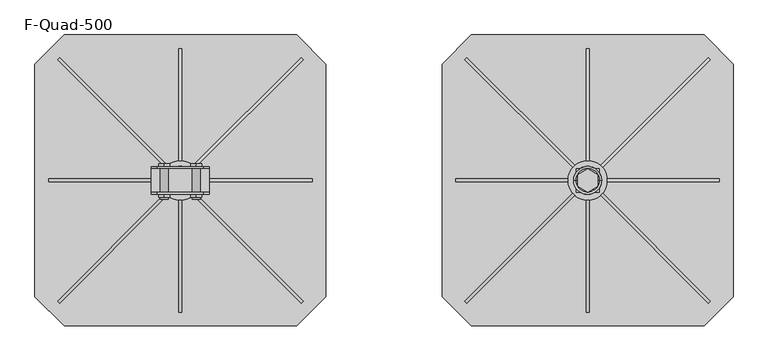
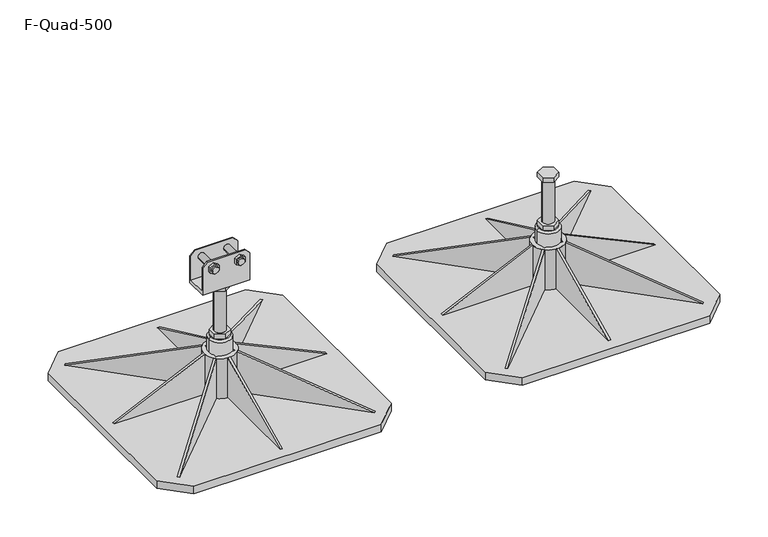
"""IFC4 building model written with IfcOpenShell, lengths in millimetres: beam geometry, F-Quad-500."""

from ifc_helpers import new_model, si_unit, point, frame, frame_2d, origin, origin_with_axes, origin_2d, place, context, project, spatial, polyline, circle_curve, trimmed, segment, composite_curve, outline, extrude, source, transform, mapped, element, save
from ifc_brep_helpers import plane_surface, cylinder_surface, revolved_surface, advanced_brep


def f_quad_500_24138291(model_context):
    return source(origin(), model_context, "Body", "SolidModel", [
        advanced_brep(
        [(688.0, 0.0, 248.0), (688.0, 0.0, 150.0), (712.0, 0.0, 150.0), (712.0, 0.0, 248.0), (682.6794919, 10.0, 258.0), (682.6794919, -10.0, 258.0), (700.0, -20.0, 258.0), (717.3205081, -10.0, 258.0), (717.3205081, 10.0, 258.0), (700.0, 20.0, 258.0), (682.6794919, 10.0, 248.0), (700.0, 20.0, 248.0), (717.3205081, 10.0, 248.0), (717.3205081, -10.0, 248.0), (700.0, -20.0, 248.0), (682.6794919, -10.0, 248.0), (682.6794919, 10.0, 150.0), (682.6794919, -10.0, 150.0), (700.0, -20.0, 150.0), (717.3205081, -10.0, 150.0), (717.3205081, 10.0, 150.0), (700.0, 20.0, 150.0), (682.6794919, 10.0, 140.0), (682.6794919, 0.0, 140.0), (682.6794919, -10.0, 140.0), (700.0, -20.0, 140.0), (717.3205081, -10.0, 140.0), (717.3205081, 0.0, 140.0), (717.3205081, 10.0, 140.0), (700.0, 20.0, 140.0), (680.0, 0.0, 140.0), (720.0, 0.0, 140.0), (724.0, 0.0, 136.0), (676.0, 0.0, 136.0), (724.0, 0.0, 10.0), (676.0, 0.0, 10.0), (700.0, 0.0, 10.0)],
        [
            (0, 1),
            (1, 2, circle_curve(frame((700.0, 0.0, 150.0), z_axis=(0.0, 0.0, 1.0), x_axis=(1.0, 0.0, 0.0)), 12.0)),
            (2, 3),
            (3, 0, circle_curve(frame((700.0, 0.0, 248.0), z_axis=(0.0, 0.0, -1.0), x_axis=(1.0, 0.0, 0.0)), 12.0)),
            (0, 3, circle_curve(frame((700.0, 0.0, 248.0), z_axis=(0.0, 0.0, -1.0), x_axis=(1.0, 0.0, 0.0)), 12.0)),
            (2, 1, circle_curve(frame((700.0, 0.0, 150.0), z_axis=(0.0, 0.0, 1.0), x_axis=(1.0, 0.0, 0.0)), 12.0)),
            (4, 5),
            (5, 6),
            (6, 7),
            (7, 8),
            (8, 9),
            (9, 4),
            (10, 11),
            (11, 12),
            (12, 13),
            (13, 14),
            (14, 15),
            (15, 10),
            (4, 10),
            (15, 5),
            (14, 6),
            (13, 7),
            (12, 8),
            (11, 9),
            (16, 17),
            (17, 18),
            (18, 19),
            (19, 20),
            (20, 21),
            (21, 16),
            (16, 22),
            (22, 23),
            (23, 24),
            (24, 17),
            (24, 25),
            (25, 18),
            (25, 26),
            (26, 19),
            (26, 27),
            (27, 28),
            (28, 20),
            (28, 29),
            (29, 21),
            (29, 22),
            (22, 30, circle_curve(frame((700.0, 0.0, 140.0), z_axis=(0.0, 0.0, 1.0), x_axis=(-1.0, 0.0, 0.0)), 20.0)),
            (30, 23),
            (29, 22, circle_curve(frame((700.0, 0.0, 140.0), z_axis=(0.0, 0.0, 1.0), x_axis=(-1.0, 0.0, 0.0)), 20.0)),
            (28, 29, circle_curve(frame((700.0, 0.0, 140.0), z_axis=(0.0, 0.0, 1.0), x_axis=(-1.0, 0.0, 0.0)), 20.0)),
            (31, 28, circle_curve(frame((700.0, 0.0, 140.0), z_axis=(0.0, 0.0, 1.0), x_axis=(-1.0, 0.0, 0.0)), 20.0)),
            (27, 31),
            (26, 31, circle_curve(frame((700.0, 0.0, 140.0), z_axis=(0.0, 0.0, 1.0), x_axis=(-1.0, 0.0, 0.0)), 20.0)),
            (25, 26, circle_curve(frame((700.0, 0.0, 140.0), z_axis=(0.0, 0.0, 1.0), x_axis=(-1.0, 0.0, 0.0)), 20.0)),
            (24, 25, circle_curve(frame((700.0, 0.0, 140.0), z_axis=(0.0, 0.0, 1.0), x_axis=(-1.0, 0.0, 0.0)), 20.0)),
            (30, 24, circle_curve(frame((700.0, 0.0, 140.0), z_axis=(0.0, 0.0, 1.0), x_axis=(-1.0, 0.0, 0.0)), 20.0)),
            (32, 33, circle_curve(frame((700.0, 0.0, 136.0), z_axis=(0.0, 0.0, 1.0), x_axis=(-1.0, 0.0, 0.0)), 24.0)),
            (33, 30),
            (31, 32),
            (33, 32, circle_curve(frame((700.0, 0.0, 136.0), z_axis=(0.0, 0.0, 1.0), x_axis=(-1.0, 0.0, 0.0)), 24.0)),
            (32, 34),
            (34, 35, circle_curve(frame((700.0, 0.0, 10.0), z_axis=(0.0, 0.0, 1.0), x_axis=(-1.0, 0.0, 0.0)), 24.0)),
            (35, 33),
            (35, 34, circle_curve(frame((700.0, 0.0, 10.0), z_axis=(0.0, 0.0, 1.0), x_axis=(-1.0, 0.0, 0.0)), 24.0)),
            (34, 36),
            (36, 35),
        ],
        [
            cylinder_surface(frame((700.0, 0.0, 150.0), z_axis=(0.0, 0.0, 1.0), x_axis=(1.0, 0.0, 0.0)), 12.0),
            plane_surface(frame((682.6794919, 10.0, 258.0), z_axis=(0.0, 0.0, 1.0), x_axis=(0.0, -1.0, 0.0))),
            plane_surface(frame((682.6794919, 10.0, 248.0), z_axis=(0.0, 0.0, -1.0), x_axis=(0.0, 1.0, 0.0))),
            plane_surface(frame((682.6794919, 10.0, 258.0), z_axis=(-1.0, 0.0, 0.0), x_axis=(0.0, 0.0, -1.0))),
            plane_surface(frame((682.6794919, -10.0, 258.0), z_axis=(-0.5000000000000034, -0.8660254037844367, 0.0), x_axis=(0.0, 0.0, -1.0))),
            plane_surface(frame((700.0, -20.0, 258.0), z_axis=(0.4999999999999958, -0.8660254037844412, 0.0), x_axis=(0.0, 0.0, -1.0))),
            plane_surface(frame((717.3205081, -10.0, 258.0), z_axis=(1.0, 0.0, 0.0), x_axis=(0.0, 0.0, -1.0))),
            plane_surface(frame((717.3205081, 10.0, 258.0), z_axis=(0.5000000000000064, 0.866025403784435, 0.0), x_axis=(0.0, 0.0, -1.0))),
            plane_surface(frame((700.0, 20.0, 258.0), z_axis=(-0.4999999999999984, 0.8660254037844396, 0.0), x_axis=(0.0, 0.0, -1.0))),
            plane_surface(frame((682.6794919, 10.0, 150.0), z_axis=(0.0, 0.0, 1.0), x_axis=(0.0, -1.0, 0.0))),
            plane_surface(frame((682.6794919, 10.0, 150.0), z_axis=(-1.0, 0.0, 0.0), x_axis=(0.0, 0.0, -1.0))),
            plane_surface(frame((682.6794919, -10.0, 150.0), z_axis=(-0.5000000000000034, -0.8660254037844367, 0.0), x_axis=(0.0, 0.0, -1.0))),
            plane_surface(frame((700.0, -20.0, 150.0), z_axis=(0.49999999999999545, -0.8660254037844413, 0.0), x_axis=(0.0, 0.0, -1.0))),
            plane_surface(frame((717.3205081, -10.0, 150.0), z_axis=(1.0, 0.0, 0.0), x_axis=(0.0, 0.0, -1.0))),
            plane_surface(frame((717.3205081, 10.0, 150.0), z_axis=(0.5000000000000064, 0.866025403784435, 0.0), x_axis=(0.0, 0.0, -1.0))),
            plane_surface(frame((700.0, 20.0, 150.0), z_axis=(-0.49999999999999845, 0.8660254037844396, 0.0), x_axis=(0.0, 0.0, -1.0))),
            plane_surface(frame((700.0, 0.0, 140.0), z_axis=(0.0, 0.0, 1.0), x_axis=(-1.0, 0.0, 0.0))),
            revolved_surface(polyline([(680.0, 0.0, 140.0), (676.0, 0.0, 136.0)]), (700.0, 0.0, 165.0), (0.0, 0.0, -1.0)),
            cylinder_surface(frame((700.0, 0.0, 165.0), z_axis=(0.0, 0.0, -1.0), x_axis=(-1.0, 0.0, 0.0)), 24.0),
            plane_surface(frame((700.0, 0.0, 10.0), z_axis=(0.0, 0.0, -1.0), x_axis=(-1.0, 0.0, 0.0))),
        ],
        [
            (0, [[1, 2, 3, 4]]),
            (0, [[-1, 5, -3, 6]]),
            (1, [[7, 8, 9, 10, 11, 12]]),
            (2, [[13, 14, 15, 16, 17, 18], [-4, -5]]),
            (3, [[-7, 19, -18, 20]]),
            (4, [[-8, -20, -17, 21]]),
            (5, [[-9, -21, -16, 22]]),
            (6, [[-10, -22, -15, 23]]),
            (7, [[-11, -23, -14, 24]]),
            (8, [[-12, -24, -13, -19]]),
            (9, [[25, 26, 27, 28, 29, 30], [-2, -6]]),
            (10, [[-25, 31, 32, 33, 34]]),
            (11, [[-26, -34, 35, 36]]),
            (12, [[-27, -36, 37, 38]]),
            (13, [[-28, -38, 39, 40, 41]]),
            (14, [[-29, -41, 42, 43]]),
            (15, [[-30, -43, 44, -31]]),
            (16, [[45, 46, -32]]),
            (16, [[47, -44]]),
            (16, [[48, -42]]),
            (16, [[49, -40, 50]]),
            (16, [[51, -50, -39]]),
            (16, [[52, -37]]),
            (16, [[53, -35]]),
            (16, [[54, -33, -46]]),
            (17, [[55, 56, -45, -47, -48, -49, 57]]),
            (17, [[-56, 58, -57, -51, -52, -53, -54]]),
            (18, [[-55, 59, 60, 61]]),
            (18, [[-58, -61, 62, -59]]),
            (19, [[-60, 63, 64]]),
            (19, [[-62, -64, -63]]),
        ],
    ),
        advanced_brep(
        [(-50.0, -20.75, 265.0), (50.0, -20.75, 265.0), (50.0, 20.75, 265.0), (-50.0, 20.75, 265.0), (50.0, 23.75, 258.0), (50.0, -23.75, 258.0), (-50.0, -23.75, 258.0), (-50.0, 23.75, 258.0), (27.5, 28.653247, 323.062665), (37.0805489, 28.653247, 317.5313325), (37.0805489, 28.653247, 306.4686675), (27.5, 28.653247, 300.937335), (17.9194511, 28.653247, 306.4686675), (17.9194511, 28.653247, 317.5313325), (-27.5, 28.653247, 323.062665), (-17.9194511, 28.653247, 317.5313325), (-17.9194511, 28.653247, 306.4686675), (-27.5, 28.653247, 300.937335), (-37.0805489, 28.653247, 306.4686675), (-37.0805489, 28.653247, 317.5313325), (27.5, 23.653247, 323.062665), (37.0805489, 23.75, 317.5313325), (37.0805489, 23.75, 306.4686675), (27.5, 23.75, 300.937335), (17.9194511, 23.75, 306.4686675), (17.9194511, 23.75, 317.5313325), (-27.5, 23.653247, 323.062665), (-17.9194511, 23.75, 317.5313325), (-17.9194511, 23.75, 306.4686675), (-27.5, 23.75, 300.937335), (-37.0805489, 23.75, 306.4686675), (-37.0805489, 23.75, 317.5313325), (17.9194511, -28.75, 317.5313325), (17.9194511, -28.75, 306.4686675), (27.5, -28.75, 300.937335), (37.0805489, -28.75, 306.4686675), (37.0805489, -28.75, 317.5313325), (27.5, -28.75, 323.062665), (20.5, -28.75, 312.0), (34.5, -28.75, 312.0), (17.9194511, -23.75, 317.5313325), (17.9194511, -23.75, 306.4686675), (27.5, -23.75, 300.937335), (37.0805489, -23.75, 306.4686675), (37.0805489, -23.75, 317.5313325), (27.5, -23.75, 323.062665), (-37.0805489, -28.75, 317.5313325), (-37.0805489, -28.75, 306.4686675), (-27.5, -28.75, 300.937335), (-17.9194511, -28.75, 306.4686675), (-17.9194511, -28.75, 317.5313325), (-27.5, -28.75, 323.062665), (-34.5, -28.75, 312.0), (-20.5, -28.75, 312.0), (-37.0805489, -23.75, 317.5313325), (-37.0805489, -23.75, 306.4686675), (-27.5, -23.75, 300.937335), (-17.9194511, -23.75, 306.4686675), (-17.9194511, -23.75, 317.5313325), (-27.5, -23.75, 323.062665), (-50.0, -20.75, 319.0), (-40.0, -20.75, 329.0), (40.0, -20.75, 329.0), (50.0, -20.75, 319.0), (34.5, -20.75, 312.0), (20.5, -20.75, 312.0), (-20.5, -20.75, 312.0), (-34.5, -20.75, 312.0), (40.0, -23.75, 329.0), (50.0, -23.75, 319.0), (-40.0, -23.75, 329.0), (-50.0, -23.75, 319.0), (50.0, 20.75, 319.0), (40.0, 20.75, 329.0), (-40.0, 20.75, 329.0), (-50.0, 20.75, 319.0), (20.5, 20.75, 312.0), (34.5, 20.75, 312.0), (-34.5, 20.75, 312.0), (-20.5, 20.75, 312.0), (50.0, 23.75, 319.0), (40.0, 23.75, 329.0), (-40.0, 23.75, 329.0), (-50.0, 23.75, 319.0), (20.5, -32.6948906, 312.0), (34.5, -32.6948906, 312.0), (-34.5, -32.6948906, 312.0), (-20.5, -32.6948906, 312.0)],
        [
            (0, 1),
            (1, 2),
            (2, 3),
            (3, 0),
            (4, 5),
            (5, 6),
            (6, 7),
            (7, 4),
            (8, 9),
            (9, 10),
            (10, 11),
            (11, 12),
            (12, 13),
            (13, 8),
            (14, 15),
            (15, 16),
            (16, 17),
            (17, 18),
            (18, 19),
            (19, 14),
            (8, 20),
            (20, 21),
            (21, 9),
            (21, 22),
            (22, 10),
            (22, 23),
            (23, 11),
            (23, 24),
            (24, 12),
            (24, 25),
            (25, 13),
            (25, 20),
            (14, 26),
            (26, 27),
            (27, 15),
            (27, 28),
            (28, 16),
            (28, 29),
            (29, 17),
            (29, 30),
            (30, 18),
            (30, 31),
            (31, 19),
            (31, 26),
            (32, 33),
            (33, 34),
            (34, 35),
            (35, 36),
            (36, 37),
            (37, 32),
            (38, 39, circle_curve(frame((27.5, -28.75, 312.0), z_axis=(0.0, 1.0, 0.0), x_axis=(-1.0, 0.0, 0.0)), 7.0)),
            (39, 38, circle_curve(frame((27.5, -28.75, 312.0), z_axis=(0.0, 1.0, 0.0), x_axis=(-1.0, 0.0, 0.0)), 7.0)),
            (32, 40),
            (40, 41),
            (41, 33),
            (41, 42),
            (42, 34),
            (42, 43),
            (43, 35),
            (43, 44),
            (44, 36),
            (44, 45),
            (45, 37),
            (45, 40),
            (46, 47),
            (47, 48),
            (48, 49),
            (49, 50),
            (50, 51),
            (51, 46),
            (52, 53, circle_curve(frame((-27.5, -28.75, 312.0), z_axis=(0.0, 1.0, 0.0), x_axis=(-1.0, 0.0, 0.0)), 7.0)),
            (53, 52, circle_curve(frame((-27.5, -28.75, 312.0), z_axis=(0.0, 1.0, 0.0), x_axis=(-1.0, 0.0, 0.0)), 7.0)),
            (46, 54),
            (54, 55),
            (55, 47),
            (55, 56),
            (56, 48),
            (56, 57),
            (57, 49),
            (57, 58),
            (58, 50),
            (58, 59),
            (59, 51),
            (59, 54),
            (60, 61),
            (61, 62),
            (62, 63),
            (63, 1),
            (0, 60),
            (64, 65, circle_curve(frame((27.5, -20.75, 312.0), z_axis=(0.0, -1.0, 0.0), x_axis=(-1.0, 0.0, 0.0)), 7.0)),
            (65, 64, circle_curve(frame((27.5, -20.75, 312.0), z_axis=(0.0, -1.0, 0.0), x_axis=(-1.0, 0.0, 0.0)), 7.0)),
            (66, 67, circle_curve(frame((-27.5, -20.75, 312.0), z_axis=(0.0, -1.0, 0.0), x_axis=(-1.0, 0.0, 0.0)), 7.0)),
            (67, 66, circle_curve(frame((-27.5, -20.75, 312.0), z_axis=(0.0, -1.0, 0.0), x_axis=(-1.0, 0.0, 0.0)), 7.0)),
            (62, 68),
            (68, 69),
            (69, 63),
            (61, 70),
            (70, 68),
            (60, 71),
            (71, 70),
            (72, 73),
            (73, 74),
            (74, 75),
            (75, 3),
            (2, 72),
            (76, 77, circle_curve(frame((27.5, 20.75, 312.0), z_axis=(0.0, 1.0, 0.0), x_axis=(-1.0, 0.0, 0.0)), 7.0)),
            (77, 76, circle_curve(frame((27.5, 20.75, 312.0), z_axis=(0.0, 1.0, 0.0), x_axis=(-1.0, 0.0, 0.0)), 7.0)),
            (78, 79, circle_curve(frame((-27.5, 20.75, 312.0), z_axis=(0.0, 1.0, 0.0), x_axis=(-1.0, 0.0, 0.0)), 7.0)),
            (79, 78, circle_curve(frame((-27.5, 20.75, 312.0), z_axis=(0.0, 1.0, 0.0), x_axis=(-1.0, 0.0, 0.0)), 7.0)),
            (80, 81),
            (81, 73),
            (72, 80),
            (81, 82),
            (82, 74),
            (82, 83),
            (83, 75),
            (7, 83),
            (80, 4),
            (6, 71),
            (5, 69),
            (84, 85, circle_curve(frame((27.5, -32.6948906, 312.0), z_axis=(0.0, -1.0, 0.0), x_axis=(-1.0, 0.0, 0.0)), 7.0)),
            (85, 84, circle_curve(frame((27.5, -32.6948906, 312.0), z_axis=(0.0, -1.0, 0.0), x_axis=(-1.0, 0.0, 0.0)), 7.0)),
            (86, 87, circle_curve(frame((-27.5, -32.6948906, 312.0), z_axis=(0.0, -1.0, 0.0), x_axis=(-1.0, 0.0, 0.0)), 7.0)),
            (87, 86, circle_curve(frame((-27.5, -32.6948906, 312.0), z_axis=(0.0, -1.0, 0.0), x_axis=(-1.0, 0.0, 0.0)), 7.0)),
            (85, 39),
            (38, 84),
            (64, 77),
            (76, 65),
            (87, 53),
            (52, 86),
            (66, 79),
            (78, 67),
        ],
        [
            plane_surface(frame((0.0, 23.75, 265.0), z_axis=(0.0, 0.0, 1.0), x_axis=(-1.0, 0.0, 0.0))),
            plane_surface(frame((0.0, 23.75, 258.0), z_axis=(0.0, 0.0, -1.0), x_axis=(1.0, 0.0, 0.0))),
            plane_surface(frame((27.5, 28.653247, 323.062665), z_axis=(0.0, 1.0, 0.0), x_axis=(0.866025403784437, 0.0, -0.5000000000000028))),
            plane_surface(frame((27.5, 28.653247, 323.062665), z_axis=(0.5000000000000028, 0.0, 0.866025403784437), x_axis=(0.0, -1.0, 0.0))),
            plane_surface(frame((37.0805489, 28.653247, 317.5313325), z_axis=(1.0, 0.0, 0.0), x_axis=(0.0, -1.0, 0.0))),
            plane_surface(frame((37.0805489, 28.653247, 306.4686675), z_axis=(0.4999999999999971, 0.0, -0.8660254037844404), x_axis=(0.0, -1.0, 0.0))),
            plane_surface(frame((27.5, 28.653247, 300.937335), z_axis=(-0.5000000000000031, 0.0, -0.8660254037844369), x_axis=(0.0, -1.0, 0.0))),
            plane_surface(frame((17.9194511, 28.653247, 306.4686675), z_axis=(-1.0, 0.0, 0.0), x_axis=(0.0, -1.0, 0.0))),
            plane_surface(frame((17.9194511, 28.653247, 317.5313325), z_axis=(-0.4999999999999962, 0.0, 0.8660254037844408), x_axis=(0.0, -1.0, 0.0))),
            plane_surface(frame((-27.5, 28.653247, 323.062665), z_axis=(0.5000000000000028, 0.0, 0.866025403784437), x_axis=(0.0, -1.0, 0.0))),
            plane_surface(frame((-17.9194511, 28.653247, 317.5313325), z_axis=(1.0, 0.0, 0.0), x_axis=(0.0, -1.0, 0.0))),
            plane_surface(frame((-17.9194511, 28.653247, 306.4686675), z_axis=(0.4999999999999972, 0.0, -0.8660254037844403), x_axis=(0.0, -1.0, 0.0))),
            plane_surface(frame((-27.5, 28.653247, 300.937335), z_axis=(-0.5000000000000029, 0.0, -0.866025403784437), x_axis=(0.0, -1.0, 0.0))),
            plane_surface(frame((-37.0805489, 28.653247, 306.4686675), z_axis=(-1.0, 0.0, 0.0), x_axis=(0.0, -1.0, 0.0))),
            plane_surface(frame((-37.0805489, 28.653247, 317.5313325), z_axis=(-0.49999999999999617, 0.0, 0.8660254037844409), x_axis=(0.0, -1.0, 0.0))),
            plane_surface(frame((17.9194511, -28.75, 317.5313325), z_axis=(0.0, -1.0, 0.0), x_axis=(0.0, 0.0, -1.0))),
            plane_surface(frame((17.9194511, -28.75, 317.5313325), z_axis=(-1.0, 0.0, 0.0), x_axis=(0.0, 1.0, 0.0))),
            plane_surface(frame((17.9194511, -28.75, 306.4686675), z_axis=(-0.500000000000003, 0.0, -0.866025403784437), x_axis=(0.0, 1.0, 0.0))),
            plane_surface(frame((27.5, -28.75, 300.937335), z_axis=(0.4999999999999972, 0.0, -0.8660254037844403), x_axis=(0.0, 1.0, 0.0))),
            plane_surface(frame((37.0805489, -28.75, 306.4686675), z_axis=(1.0, 0.0, 0.0), x_axis=(0.0, 1.0, 0.0))),
            plane_surface(frame((37.0805489, -28.75, 317.5313325), z_axis=(0.5000000000000038, 0.0, 0.8660254037844366), x_axis=(0.0, 1.0, 0.0))),
            plane_surface(frame((27.5, -28.75, 323.062665), z_axis=(-0.4999999999999978, 0.0, 0.8660254037844399), x_axis=(0.0, 1.0, 0.0))),
            plane_surface(frame((-37.0805489, -28.75, 317.5313325), z_axis=(0.0, -1.0, 0.0), x_axis=(0.0, 0.0, -1.0))),
            plane_surface(frame((-37.0805489, -28.75, 317.5313325), z_axis=(-1.0, 0.0, 0.0), x_axis=(0.0, 1.0, 0.0))),
            plane_surface(frame((-37.0805489, -28.75, 306.4686675), z_axis=(-0.5000000000000031, 0.0, -0.8660254037844368), x_axis=(0.0, 1.0, 0.0))),
            plane_surface(frame((-27.5, -28.75, 300.937335), z_axis=(0.49999999999999717, 0.0, -0.8660254037844404), x_axis=(0.0, 1.0, 0.0))),
            plane_surface(frame((-17.9194511, -28.75, 306.4686675), z_axis=(1.0, 0.0, 0.0), x_axis=(0.0, 1.0, 0.0))),
            plane_surface(frame((-17.9194511, -28.75, 317.5313325), z_axis=(0.5000000000000036, 0.0, 0.8660254037844367), x_axis=(0.0, 1.0, 0.0))),
            plane_surface(frame((-27.5, -28.75, 323.062665), z_axis=(-0.4999999999999981, 0.0, 0.8660254037844398), x_axis=(0.0, 1.0, 0.0))),
            plane_surface(frame((-50.0, -20.75, 319.0), z_axis=(0.0, 1.0, 0.0), x_axis=(0.0, 0.0, 1.0))),
            plane_surface(frame((50.0, -23.75, 319.0), z_axis=(0.7071067811865493, 0.0, 0.7071067811865457), x_axis=(0.0, 1.0, 0.0))),
            plane_surface(frame((40.0, -23.75, 329.0), z_axis=(0.0, 0.0, 1.0), x_axis=(0.0, 1.0, 0.0))),
            plane_surface(frame((-40.0, -23.75, 329.0), z_axis=(-0.707106781186547, 0.0, 0.7071067811865481), x_axis=(0.0, 1.0, 0.0))),
            plane_surface(frame((40.0, 20.75, 329.0), z_axis=(0.0, -1.0, 0.0), x_axis=(-0.7071067811865458, 0.0, 0.7071067811865493))),
            plane_surface(frame((50.0, 20.75, 319.0), z_axis=(0.7071067811865493, 0.0, 0.7071067811865458), x_axis=(0.0, 1.0, 0.0))),
            plane_surface(frame((40.0, 20.75, 329.0), z_axis=(0.0, 0.0, 1.0), x_axis=(0.0, 1.0, 0.0))),
            plane_surface(frame((-40.0, 20.75, 329.0), z_axis=(-0.7071067811865467, 0.0, 0.7071067811865485), x_axis=(0.0, 1.0, 0.0))),
            plane_surface(frame((50.0, 23.75, 265.0), z_axis=(0.0, 1.0, 0.0), x_axis=(0.0, 0.0, -1.0))),
            plane_surface(frame((-50.0, 23.75, 265.0), z_axis=(-1.0, 0.0, 0.0), x_axis=(0.0, 0.0, -1.0))),
            plane_surface(frame((-50.0, -23.75, 265.0), z_axis=(0.0, -1.0, 0.0), x_axis=(0.0, 0.0, -1.0))),
            plane_surface(frame((50.0, -23.75, 265.0), z_axis=(1.0, 0.0, 0.0), x_axis=(0.0, 0.0, -1.0))),
            plane_surface(frame((20.5, -32.6948906, 312.0), z_axis=(0.0, -1.0, 0.0), x_axis=(0.0, 0.0, -1.0))),
            cylinder_surface(frame((27.5, -32.6948906, 312.0), z_axis=(0.0, 1.0, 0.0), x_axis=(-1.0, 0.0, 0.0)), 7.0),
            cylinder_surface(frame((-27.5, 23.653247, 312.0), z_axis=(0.0, 1.0, 0.0), x_axis=(-1.0, 0.0, 0.0)), 7.0),
        ],
        [
            (0, [[1, 2, 3, 4]]),
            (1, [[5, 6, 7, 8]]),
            (2, [[9, 10, 11, 12, 13, 14]]),
            (2, [[15, 16, 17, 18, 19, 20]]),
            (3, [[-9, 21, 22, 23]]),
            (4, [[-10, -23, 24, 25]]),
            (5, [[-11, -25, 26, 27]]),
            (6, [[-12, -27, 28, 29]]),
            (7, [[-13, -29, 30, 31]]),
            (8, [[-14, -31, 32, -21]]),
            (9, [[-15, 33, 34, 35]]),
            (10, [[-16, -35, 36, 37]]),
            (11, [[-17, -37, 38, 39]]),
            (12, [[-18, -39, 40, 41]]),
            (13, [[-19, -41, 42, 43]]),
            (14, [[-20, -43, 44, -33]]),
            (15, [[45, 46, 47, 48, 49, 50], [51, 52]]),
            (16, [[-45, 53, 54, 55]]),
            (17, [[-46, -55, 56, 57]]),
            (18, [[-47, -57, 58, 59]]),
            (19, [[-48, -59, 60, 61]]),
            (20, [[-49, -61, 62, 63]]),
            (21, [[-50, -63, 64, -53]]),
            (22, [[65, 66, 67, 68, 69, 70], [71, 72]]),
            (23, [[-65, 73, 74, 75]]),
            (24, [[-66, -75, 76, 77]]),
            (25, [[-67, -77, 78, 79]]),
            (26, [[-68, -79, 80, 81]]),
            (27, [[-69, -81, 82, 83]]),
            (28, [[-70, -83, 84, -73]]),
            (29, [[85, 86, 87, 88, -1, 89], [90, 91], [92, 93]]),
            (30, [[-87, 94, 95, 96]]),
            (31, [[-86, 97, 98, -94]]),
            (32, [[-85, 99, 100, -97]]),
            (33, [[101, 102, 103, 104, -3, 105], [106, 107], [108, 109]]),
            (34, [[110, 111, -101, 112]]),
            (35, [[113, 114, -102, -111]]),
            (36, [[115, 116, -103, -114]]),
            (37, [[-8, 117, -115, -113, -110, 118], [-22, -32, -30, -28, -26, -24], [-34, -44, -42, -40, -38, -36]]),
            (38, [[-117, -7, 119, -99, -89, -4, -104, -116]]),
            (39, [[-6, 120, -95, -98, -100, -119], [-54, -64, -62, -60, -58, -56], [-74, -84, -82, -80, -78, -76]]),
            (40, [[-5, -118, -112, -105, -2, -88, -96, -120]]),
            (41, [[121, 122]]),
            (41, [[123, 124]]),
            (42, [[-122, 125, -51, 126]]),
            (42, [[-90, 127, -106, 128]]),
            (42, [[-121, -126, -52, -125]]),
            (42, [[-91, -128, -107, -127]]),
            (43, [[-124, 129, -71, 130]]),
            (43, [[-92, 131, -108, 132]]),
            (43, [[-123, -130, -72, -129]]),
            (43, [[-93, -132, -109, -131]]),
        ],
    ),
        advanced_brep(
        [(-12.0, 0.0, 248.0), (-12.0, 0.0, 150.0), (12.0, 0.0, 150.0), (12.0, 0.0, 248.0), (-17.3205081, 10.0, 258.0), (-17.3205081, -10.0, 258.0), (0.0, -20.0, 258.0), (17.3205081, -10.0, 258.0), (17.3205081, 10.0, 258.0), (0.0, 20.0, 258.0), (-17.3205081, 10.0, 248.0), (0.0, 20.0, 248.0), (17.3205081, 10.0, 248.0), (17.3205081, -10.0, 248.0), (0.0, -20.0, 248.0), (-17.3205081, -10.0, 248.0), (-17.3205081, 10.0, 150.0), (-17.3205081, -10.0, 150.0), (0.0, -20.0, 150.0), (17.3205081, -10.0, 150.0), (17.3205081, 10.0, 150.0), (0.0, 20.0, 150.0), (-17.3205081, 10.0, 140.0), (-17.3205081, 0.0, 140.0), (-17.3205081, -10.0, 140.0), (0.0, -20.0, 140.0), (17.3205081, -10.0, 140.0), (17.3205081, 0.0, 140.0), (17.3205081, 10.0, 140.0), (0.0, 20.0, 140.0), (-20.0, 0.0, 140.0), (20.0, 0.0, 140.0), (24.0, 0.0, 136.0), (-24.0, 0.0, 136.0), (24.0, 0.0, 10.0), (-24.0, 0.0, 10.0), (0.0, 0.0, 10.0)],
        [
            (0, 1),
            (1, 2, circle_curve(frame((0.0, 0.0, 150.0), z_axis=(0.0, 0.0, 1.0), x_axis=(1.0, 0.0, 0.0)), 12.0)),
            (2, 3),
            (3, 0, circle_curve(frame((0.0, 0.0, 248.0), z_axis=(0.0, 0.0, -1.0), x_axis=(1.0, 0.0, 0.0)), 12.0)),
            (0, 3, circle_curve(frame((0.0, 0.0, 248.0), z_axis=(0.0, 0.0, -1.0), x_axis=(1.0, 0.0, 0.0)), 12.0)),
            (2, 1, circle_curve(frame((0.0, 0.0, 150.0), z_axis=(0.0, 0.0, 1.0), x_axis=(1.0, 0.0, 0.0)), 12.0)),
            (4, 5),
            (5, 6),
            (6, 7),
            (7, 8),
            (8, 9),
            (9, 4),
            (10, 11),
            (11, 12),
            (12, 13),
            (13, 14),
            (14, 15),
            (15, 10),
            (4, 10),
            (15, 5),
            (14, 6),
            (13, 7),
            (12, 8),
            (11, 9),
            (16, 17),
            (17, 18),
            (18, 19),
            (19, 20),
            (20, 21),
            (21, 16),
            (16, 22),
            (22, 23),
            (23, 24),
            (24, 17),
            (24, 25),
            (25, 18),
            (25, 26),
            (26, 19),
            (26, 27),
            (27, 28),
            (28, 20),
            (28, 29),
            (29, 21),
            (29, 22),
            (22, 30, circle_curve(frame((0.0, 0.0, 140.0), z_axis=(0.0, 0.0, 1.0), x_axis=(-1.0, 0.0, 0.0)), 20.0)),
            (30, 23),
            (29, 22, circle_curve(frame((0.0, 0.0, 140.0), z_axis=(0.0, 0.0, 1.0), x_axis=(-1.0, 0.0, 0.0)), 20.0)),
            (28, 29, circle_curve(frame((0.0, 0.0, 140.0), z_axis=(0.0, 0.0, 1.0), x_axis=(-1.0, 0.0, 0.0)), 20.0)),
            (31, 28, circle_curve(frame((0.0, 0.0, 140.0), z_axis=(0.0, 0.0, 1.0), x_axis=(-1.0, 0.0, 0.0)), 20.0)),
            (27, 31),
            (26, 31, circle_curve(frame((0.0, 0.0, 140.0), z_axis=(0.0, 0.0, 1.0), x_axis=(-1.0, 0.0, 0.0)), 20.0)),
            (25, 26, circle_curve(frame((0.0, 0.0, 140.0), z_axis=(0.0, 0.0, 1.0), x_axis=(-1.0, 0.0, 0.0)), 20.0)),
            (24, 25, circle_curve(frame((0.0, 0.0, 140.0), z_axis=(0.0, 0.0, 1.0), x_axis=(-1.0, 0.0, 0.0)), 20.0)),
            (30, 24, circle_curve(frame((0.0, 0.0, 140.0), z_axis=(0.0, 0.0, 1.0), x_axis=(-1.0, 0.0, 0.0)), 20.0)),
            (32, 33, circle_curve(frame((0.0, 0.0, 136.0), z_axis=(0.0, 0.0, 1.0), x_axis=(-1.0, 0.0, 0.0)), 24.0)),
            (33, 30),
            (31, 32),
            (33, 32, circle_curve(frame((0.0, 0.0, 136.0), z_axis=(0.0, 0.0, 1.0), x_axis=(-1.0, 0.0, 0.0)), 24.0)),
            (32, 34),
            (34, 35, circle_curve(frame((0.0, 0.0, 10.0), z_axis=(0.0, 0.0, 1.0), x_axis=(-1.0, 0.0, 0.0)), 24.0)),
            (35, 33),
            (35, 34, circle_curve(frame((0.0, 0.0, 10.0), z_axis=(0.0, 0.0, 1.0), x_axis=(-1.0, 0.0, 0.0)), 24.0)),
            (34, 36),
            (36, 35),
        ],
        [
            cylinder_surface(frame((0.0, 0.0, 150.0), z_axis=(0.0, 0.0, 1.0), x_axis=(1.0, 0.0, 0.0)), 12.0),
            plane_surface(frame((-17.3205081, 10.0, 258.0), z_axis=(0.0, 0.0, 1.0), x_axis=(0.0, -1.0, 0.0))),
            plane_surface(frame((-17.3205081, 10.0, 248.0), z_axis=(0.0, 0.0, -1.0), x_axis=(0.0, 1.0, 0.0))),
            plane_surface(frame((-17.3205081, 10.0, 258.0), z_axis=(-1.0, 0.0, 0.0), x_axis=(0.0, 0.0, -1.0))),
            plane_surface(frame((-17.3205081, -10.0, 258.0), z_axis=(-0.5000000000000034, -0.8660254037844367, 0.0), x_axis=(0.0, 0.0, -1.0))),
            plane_surface(frame((0.0, -20.0, 258.0), z_axis=(0.4999999999999958, -0.8660254037844412, 0.0), x_axis=(0.0, 0.0, -1.0))),
            plane_surface(frame((17.3205081, -10.0, 258.0), z_axis=(1.0, 0.0, 0.0), x_axis=(0.0, 0.0, -1.0))),
            plane_surface(frame((17.3205081, 10.0, 258.0), z_axis=(0.5000000000000064, 0.866025403784435, 0.0), x_axis=(0.0, 0.0, -1.0))),
            plane_surface(frame((0.0, 20.0, 258.0), z_axis=(-0.4999999999999984, 0.8660254037844396, 0.0), x_axis=(0.0, 0.0, -1.0))),
            plane_surface(frame((-17.3205081, 10.0, 150.0), z_axis=(0.0, 0.0, 1.0), x_axis=(0.0, -1.0, 0.0))),
            plane_surface(frame((-17.3205081, 10.0, 150.0), z_axis=(-1.0, 0.0, 0.0), x_axis=(0.0, 0.0, -1.0))),
            plane_surface(frame((-17.3205081, -10.0, 150.0), z_axis=(-0.5000000000000034, -0.8660254037844367, 0.0), x_axis=(0.0, 0.0, -1.0))),
            plane_surface(frame((0.0, -20.0, 150.0), z_axis=(0.49999999999999545, -0.8660254037844413, 0.0), x_axis=(0.0, 0.0, -1.0))),
            plane_surface(frame((17.3205081, -10.0, 150.0), z_axis=(1.0, 0.0, 0.0), x_axis=(0.0, 0.0, -1.0))),
            plane_surface(frame((17.3205081, 10.0, 150.0), z_axis=(0.5000000000000064, 0.866025403784435, 0.0), x_axis=(0.0, 0.0, -1.0))),
            plane_surface(frame((0.0, 20.0, 150.0), z_axis=(-0.49999999999999845, 0.8660254037844396, 0.0), x_axis=(0.0, 0.0, -1.0))),
            plane_surface(frame((0.0, 0.0, 140.0), z_axis=(0.0, 0.0, 1.0), x_axis=(-1.0, 0.0, 0.0))),
            revolved_surface(polyline([(-20.0, 0.0, 140.0), (-24.0, 0.0, 136.0)]), (0.0, 0.0, 165.0), (0.0, 0.0, -1.0)),
            cylinder_surface(frame((0.0, 0.0, 165.0), z_axis=(0.0, 0.0, -1.0), x_axis=(-1.0, 0.0, 0.0)), 24.0),
            plane_surface(frame((0.0, 0.0, 10.0), z_axis=(0.0, 0.0, -1.0), x_axis=(-1.0, 0.0, 0.0))),
        ],
        [
            (0, [[1, 2, 3, 4]]),
            (0, [[-1, 5, -3, 6]]),
            (1, [[7, 8, 9, 10, 11, 12]]),
            (2, [[13, 14, 15, 16, 17, 18], [-4, -5]]),
            (3, [[-7, 19, -18, 20]]),
            (4, [[-8, -20, -17, 21]]),
            (5, [[-9, -21, -16, 22]]),
            (6, [[-10, -22, -15, 23]]),
            (7, [[-11, -23, -14, 24]]),
            (8, [[-12, -24, -13, -19]]),
            (9, [[25, 26, 27, 28, 29, 30], [-2, -6]]),
            (10, [[-25, 31, 32, 33, 34]]),
            (11, [[-26, -34, 35, 36]]),
            (12, [[-27, -36, 37, 38]]),
            (13, [[-28, -38, 39, 40, 41]]),
            (14, [[-29, -41, 42, 43]]),
            (15, [[-30, -43, 44, -31]]),
            (16, [[45, 46, -32]]),
            (16, [[47, -44]]),
            (16, [[48, -42]]),
            (16, [[49, -40, 50]]),
            (16, [[51, -50, -39]]),
            (16, [[52, -37]]),
            (16, [[53, -35]]),
            (16, [[54, -33, -46]]),
            (17, [[55, 56, -45, -47, -48, -49, 57]]),
            (17, [[-56, 58, -57, -51, -52, -53, -54]]),
            (18, [[-55, 59, 60, 61]]),
            (18, [[-58, -61, 62, -59]]),
            (19, [[-60, 63, 64]]),
            (19, [[-62, -64, -63]]),
        ],
    ),
        extrude(outline(polyline([(0.0, 0.0), (277.0270745, 0.0), (247.7880551, -85.1180342), (0.0, 0.0)])), frame((907.5358403, -211.0713742, 17.0), z_axis=(0.7071067811865491, 0.7071067811865459, 0.0), x_axis=(-0.6687504353591679, 0.6687504353591709, 0.32487799312025273)), (0.0, 0.0, 1.0), 5.0),
        extrude(outline(polyline([(0.0, 0.0), (-247.7880551, -85.1180342), (-277.0270745, 0.0), (0.0, 0.0)])), frame((492.4641597, -211.0713742, 17.0), z_axis=(-0.7071067811865449, 0.7071067811865502, 0.0), x_axis=(-0.6687504353591719, -0.6687504353591668, -0.3248779931202527)), (0.0, 0.0, 1.0), 5.0),
        extrude(outline(polyline([(0.0, 0.0), (277.0270745, 0.0), (247.7880551, -85.1180342), (0.0, 0.0)])), frame((911.0713742, 207.5358403, 17.0), z_axis=(-0.7071067811865384, 0.7071067811865568, 0.0), x_axis=(-0.6687504353591781, -0.6687504353591606, 0.32487799312025273)), (0.0, 0.0, 1.0), 5.0),
        extrude(outline(polyline([(17.0, 926.5), (107.0, 733.9683544), (17.0, 733.9683544), (17.0, 926.5)])), frame((0.0, -2.5, 0.0), z_axis=(0.0, 1.0, 0.0), x_axis=(0.0, 0.0, 1.0)), (0.0, 0.0, 1.0), 5.0),
        extrude(outline(polyline([(-226.5, 17.0), (-33.9683544, 107.0), (-33.9683544, 17.0), (-226.5, 17.0)])), frame((697.5, 0.0, 0.0), z_axis=(1.0, 0.0, 0.0), x_axis=(0.0, 1.0, 0.0)), (0.0, 0.0, 1.0), 5.0),
        extrude(outline(polyline([(226.5, 17.0), (33.9683544, 17.0), (33.9683544, 107.0), (226.5, 17.0)])), frame((697.5, 0.0, 0.0), z_axis=(1.0, 0.0, 0.0), x_axis=(0.0, 1.0, 0.0)), (0.0, 0.0, 1.0), 5.0),
        extrude(outline(polyline([(17.0, 473.5), (17.0, 666.0316456), (107.0, 666.0316456), (17.0, 473.5)])), frame((0.0, -2.5, 0.0), z_axis=(0.0, 1.0, 0.0), x_axis=(0.0, 0.0, 1.0)), (0.0, 0.0, 1.0), 5.0),
        extrude(outline(polyline([(0.0, 0.0), (-247.7880551, -85.1180342), (-277.0270745, 0.0), (0.0, 0.0)])), frame((488.9286258, 207.5358403, 17.0), z_axis=(0.7071067811865491, 0.7071067811865459, 0.0), x_axis=(-0.6687504353591679, 0.6687504353591709, -0.32487799312025273)), (0.0, 0.0, 1.0), 5.0),
        extrude(outline(composite_curve([segment(trimmed(circle_curve(frame_2d((700.0, 0.0)), 34.0), [point((666.0, 0.0))], [point((734.0, 0.0))], False, "CARTESIAN"), True, "CONTINUOUS"), segment(trimmed(circle_curve(frame_2d((700.0, 0.0)), 34.0), [point((734.0, 0.0))], [point((666.0, 0.0))], False, "CARTESIAN"), True, "CONTINUOUS")], self_intersect=False), holes=[composite_curve([segment(polyline([(686.7335008, 20.0), (680.0, 20.0), (680.0, 13.2664992)]), True, "CONTINUOUS"), segment(trimmed(circle_curve(frame_2d((700.0, 0.0)), 24.0), [point((680.0, 13.2664992))], [point((680.0, -13.2664992))], True, "CARTESIAN"), True, "CONTINUOUS"), segment(polyline([(680.0, -13.2664992), (680.0, -20.0), (686.7335008, -20.0)]), True, "CONTINUOUS"), segment(trimmed(circle_curve(frame_2d((700.0, 0.0)), 24.0), [point((686.7335008, -20.0))], [point((713.2664992, -20.0))], True, "CARTESIAN"), True, "CONTINUOUS"), segment(polyline([(713.2664992, -20.0), (720.0, -20.0), (720.0, -13.2664992)]), True, "CONTINUOUS"), segment(trimmed(circle_curve(frame_2d((700.0, 0.0)), 24.0), [point((720.0, -13.2664992))], [point((720.0, 13.2664992))], True, "CARTESIAN"), True, "CONTINUOUS"), segment(polyline([(720.0, 13.2664992), (720.0, 20.0), (713.2664992, 20.0)]), True, "CONTINUOUS"), segment(trimmed(circle_curve(frame_2d((700.0, 0.0)), 24.0), [point((713.2664992, 20.0))], [point((686.7335008, 20.0))], True, "CARTESIAN"), True, "CONTINUOUS")], self_intersect=False)]), frame((0.0, 0.0, 17.0), z_axis=(0.0, 0.0, 1.0), x_axis=(1.0, 0.0, 0.0)), (0.0, 0.0, 1.0), 90.0),
        extrude(outline(polyline([(900.0, 250.0), (950.0, 200.0), (950.0, -200.0), (900.0, -250.0), (500.0, -250.0), (450.0, -200.0), (450.0, 200.0), (500.0, 250.0), (900.0, 250.0)])), origin_with_axes(), (0.0, 0.0, 1.0), 17.0),
        extrude(outline(polyline([(0.0, 0.0), (277.0270745, 0.0), (247.7880551, -85.1180342), (0.0, 0.0)])), frame((207.5358403, -211.0713742, 17.0), z_axis=(0.7071067811865491, 0.7071067811865459, 0.0), x_axis=(-0.6687504353591679, 0.6687504353591709, 0.32487799312025273)), (0.0, 0.0, 1.0), 5.0),
        extrude(outline(polyline([(0.0, 0.0), (-247.7880551, -85.1180342), (-277.0270745, 0.0), (0.0, 0.0)])), frame((-207.5358403, -211.0713742, 17.0), z_axis=(-0.7071067811865449, 0.7071067811865502, 0.0), x_axis=(-0.6687504353591719, -0.6687504353591668, -0.3248779931202527)), (0.0, 0.0, 1.0), 5.0),
        extrude(outline(polyline([(0.0, 0.0), (277.0270745, 0.0), (247.7880551, -85.1180342), (0.0, 0.0)])), frame((211.0713742, 207.5358403, 17.0), z_axis=(-0.7071067811865384, 0.7071067811865568, 0.0), x_axis=(-0.6687504353591781, -0.6687504353591606, 0.32487799312025273)), (0.0, 0.0, 1.0), 5.0),
        extrude(outline(polyline([(17.0, 226.5), (107.0, 33.9683544), (17.0, 33.9683544), (17.0, 226.5)])), frame((0.0, -2.5, 0.0), z_axis=(0.0, 1.0, 0.0), x_axis=(0.0, 0.0, 1.0)), (0.0, 0.0, 1.0), 5.0),
        extrude(outline(polyline([(-226.5, 17.0), (-33.9683544, 107.0), (-33.9683544, 17.0), (-226.5, 17.0)])), frame((-2.5, 0.0, 0.0), z_axis=(1.0, 0.0, 0.0), x_axis=(0.0, 1.0, 0.0)), (0.0, 0.0, 1.0), 5.0),
        extrude(outline(polyline([(226.5, 17.0), (33.9683544, 17.0), (33.9683544, 107.0), (226.5, 17.0)])), frame((-2.5, 0.0, 0.0), z_axis=(1.0, 0.0, 0.0), x_axis=(0.0, 1.0, 0.0)), (0.0, 0.0, 1.0), 5.0),
        extrude(outline(polyline([(17.0, -226.5), (17.0, -33.9683544), (107.0, -33.9683544), (17.0, -226.5)])), frame((0.0, -2.5, 0.0), z_axis=(0.0, 1.0, 0.0), x_axis=(0.0, 0.0, 1.0)), (0.0, 0.0, 1.0), 5.0),
        extrude(outline(polyline([(0.0, 0.0), (-247.7880551, -85.1180342), (-277.0270745, 0.0), (0.0, 0.0)])), frame((-211.0713742, 207.5358403, 17.0), z_axis=(0.7071067811865491, 0.7071067811865459, 0.0), x_axis=(-0.6687504353591679, 0.6687504353591709, -0.32487799312025273)), (0.0, 0.0, 1.0), 5.0),
        extrude(outline(composite_curve([segment(trimmed(circle_curve(origin_2d(), 34.0), [point((-34.0, 0.0))], [point((34.0, 0.0))], False, "CARTESIAN"), True, "CONTINUOUS"), segment(trimmed(circle_curve(origin_2d(), 34.0), [point((34.0, 0.0))], [point((-34.0, 0.0))], False, "CARTESIAN"), True, "CONTINUOUS")], self_intersect=False), holes=[composite_curve([segment(polyline([(-13.2664992, 20.0), (-20.0, 20.0), (-20.0, 13.2664992)]), True, "CONTINUOUS"), segment(trimmed(circle_curve(origin_2d(), 24.0), [point((-20.0, 13.2664992))], [point((-20.0, -13.2664992))], True, "CARTESIAN"), True, "CONTINUOUS"), segment(polyline([(-20.0, -13.2664992), (-20.0, -20.0), (-13.2664992, -20.0)]), True, "CONTINUOUS"), segment(trimmed(circle_curve(origin_2d(), 24.0), [point((-13.2664992, -20.0))], [point((13.2664992, -20.0))], True, "CARTESIAN"), True, "CONTINUOUS"), segment(polyline([(13.2664992, -20.0), (20.0, -20.0), (20.0, -13.2664992)]), True, "CONTINUOUS"), segment(trimmed(circle_curve(origin_2d(), 24.0), [point((20.0, -13.2664992))], [point((20.0, 13.2664992))], True, "CARTESIAN"), True, "CONTINUOUS"), segment(polyline([(20.0, 13.2664992), (20.0, 20.0), (13.2664992, 20.0)]), True, "CONTINUOUS"), segment(trimmed(circle_curve(origin_2d(), 24.0), [point((13.2664992, 20.0))], [point((-13.2664992, 20.0))], True, "CARTESIAN"), True, "CONTINUOUS")], self_intersect=False)]), frame((0.0, 0.0, 17.0), z_axis=(0.0, 0.0, 1.0), x_axis=(1.0, 0.0, 0.0)), (0.0, 0.0, 1.0), 90.0),
        extrude(outline(polyline([(200.0, 250.0), (250.0, 200.0), (250.0, -200.0), (200.0, -250.0), (-200.0, -250.0), (-250.0, -200.0), (-250.0, 200.0), (-200.0, 250.0), (200.0, 250.0)])), origin_with_axes(), (0.0, 0.0, 1.0), 17.0),
    ])


if __name__ == "__main__":
    model = new_model("IFC4")
    model_context = context("Model", 3, world=origin())
    ifc_project = project(units=[si_unit("LENGTHUNIT", "METRE", prefix="MILLI")], contexts=[model_context])
    site = spatial("IfcSite", under=ifc_project)
    building = spatial("IfcBuilding", under=site)
    placement = place(None, origin())
    f_quad_500_shape = f_quad_500_24138291(model_context)
    element("IfcBeam", 1, ObjectType="F-Quad-500", at=placement, inside=building, context=model_context, shape_type="MappedRepresentation", body=[
        mapped(f_quad_500_shape, transform((0.0, 0.0, 0.0), x_axis=(1.0, 0.0, 0.0), y_axis=(0.0, 1.0, 0.0), z_axis=(0.0, 0.0, 1.0))),
    ])
    save(model, "model.ifc")
